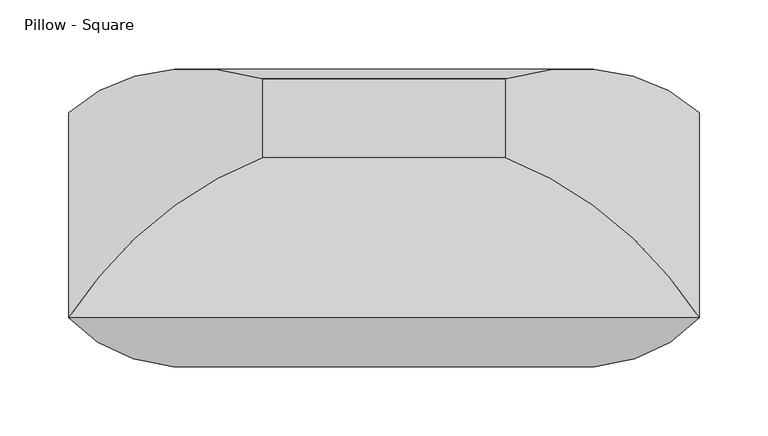
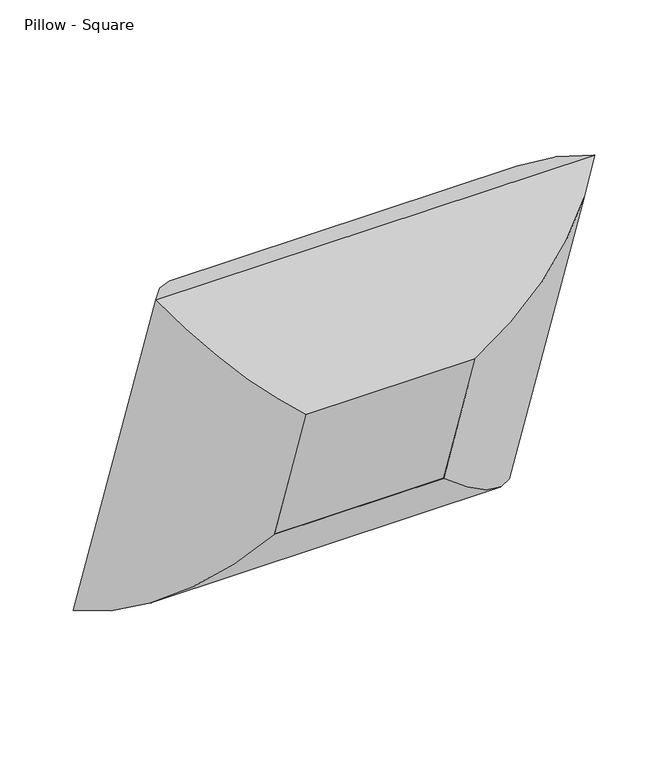
"""IFC4 building model written with IfcOpenShell, lengths in millimetres: furniture geometry, Pillow - Square."""

from ifc_helpers import new_model, si_unit, frame, origin, place, context, project, spatial, polyline, ellipse_curve, outline, extrude, source, transform, mapped, element, save
from ifc_brep_helpers import plane_surface, cylinder_surface, advanced_brep


def pillow_square_843fe264(model_context):
    return source(origin(), model_context, "Body", "SolidModel", [
        advanced_brep(
        [(-88.10625, -176.632238, 273.7911293), (-228.2741804, -148.6376072, 431.6749557), (-228.2741804, 0.0, 0.0), (-88.10625, -119.2630596, 107.1789373), (-88.10625, -32.5352071, 323.4077161), (-88.10625, 24.8339713, 156.7955241), (228.2741804, 0.0, 0.0), (88.10625, -119.2630596, 107.1789373), (88.10625, 24.8339713, 156.7955241), (228.2741804, -148.6376072, 431.6749557), (88.10625, -176.632238, 273.7911293), (88.10625, -32.5352071, 323.4077161)],
        [
            (0, 1, ellipse_curve(frame((-83.326504, -10.8491478, 325.8196669), z_axis=(-0.7071067811865477, 0.23021144975504015, -0.6685825965441236), x_axis=(-0.7071067811865472, -0.23021144975504043, 0.668582596544124)), 245.7274984, 173.7555804)),
            (1, 2),
            (2, 3, ellipse_curve(frame((-83.326504, 43.4077645, 168.2461521), z_axis=(-0.7071067811865471, -0.2302114497550404, 0.6685825965441241), x_axis=(0.7071067811865478, -0.2302114497550402, 0.6685825965441234)), 245.7274984, 173.7555804)),
            (3, 0),
            (4, 0),
            (3, 5),
            (5, 4),
            (1, 4, ellipse_curve(frame((-78.9179464, -205.7447289, 254.0491549), z_axis=(-0.7071067811865477, 0.23021144975504015, -0.6685825965441236), x_axis=(-0.7071067811865472, -0.23021144975504043, 0.668582596544124)), 263.8641638, 186.5801395)),
            (5, 2, ellipse_curve(frame((-78.9179464, -154.3583886, 104.8123863), z_axis=(-0.7071067811865471, -0.2302114497550404, 0.6685825965441241), x_axis=(0.7071067811865478, -0.2302114497550402, 0.6685825965441234)), 263.8641638, 186.5801395)),
            (2, 6),
            (6, 7, ellipse_curve(frame((83.326504, 43.4077645, 168.2461521), z_axis=(-0.7071067811865477, 0.23021144975504026, -0.6685825965441234), x_axis=(-0.7071067811865474, -0.23021144975504035, 0.6685825965441239)), 245.7274984, 173.7555804)),
            (7, 3),
            (7, 8),
            (8, 5),
            (8, 6, ellipse_curve(frame((78.9179464, -154.3583886, 104.8123863), z_axis=(-0.7071067811865477, 0.23021144975504026, -0.6685825965441234), x_axis=(-0.7071067811865474, -0.23021144975504035, 0.6685825965441239)), 263.8641638, 186.5801395)),
            (6, 9),
            (9, 10, ellipse_curve(frame((83.326504, -10.8491478, 325.8196669), z_axis=(0.7071067811865474, 0.23021144975504046, -0.6685825965441239), x_axis=(-0.7071067811865476, 0.23021144975504024, -0.6685825965441236)), 245.7274984, 173.7555804)),
            (10, 7),
            (10, 11),
            (11, 8),
            (11, 9, ellipse_curve(frame((78.9179464, -205.7447289, 254.0491549), z_axis=(0.7071067811865474, 0.23021144975504046, -0.6685825965441239), x_axis=(-0.7071067811865476, 0.23021144975504024, -0.6685825965441236)), 263.8641638, 186.5801395)),
            (9, 1),
            (0, 10),
            (4, 11),
        ],
        [
            cylinder_surface(frame((-83.326504, -12.4052809, 330.3390055), z_axis=(0.0, -0.3255681544571503, 0.945518575599319), x_axis=(0.0, -0.945518575599319, -0.3255681544571503)), 173.7555804),
            plane_surface(frame((-88.10625, -176.632238, 273.7911293), z_axis=(1.0000000000000002, 0.0, 0.0), x_axis=(0.0, 0.3255681544571504, -0.9455185755993191))),
            cylinder_surface(frame((-78.9179464, -208.736148, 262.7368666), z_axis=(0.0, -0.3255681544571503, 0.945518575599319), x_axis=(0.0, -0.945518575599319, -0.3255681544571503)), 186.5801395),
            cylinder_surface(frame((-88.10625, 43.4077645, 168.2461521), z_axis=(-1.0, 0.0, 0.0), x_axis=(0.0, -0.945518575599319, -0.3255681544571504)), 173.7555804),
            plane_surface(frame((-88.10625, -119.2630596, 107.1789373), z_axis=(0.0, -0.32556815445715026, 0.9455185755993192), x_axis=(1.0, 0.0, 0.0))),
            cylinder_surface(frame((-88.10625, -154.3583886, 104.8123863), z_axis=(-1.0, 0.0, 0.0), x_axis=(0.0, -0.945518575599319, -0.3255681544571504)), 186.5801395),
            cylinder_surface(frame((83.326504, 44.9638976, 163.7268135), z_axis=(0.0, 0.3255681544571504, -0.9455185755993191), x_axis=(0.0, -0.9455185755993191, -0.3255681544571504)), 173.7555804),
            plane_surface(frame((88.10625, -119.2630596, 107.1789373), z_axis=(-1.0000000000000002, 0.0, 0.0), x_axis=(0.0, -0.32556815445715026, 0.9455185755993192))),
            cylinder_surface(frame((78.9179464, -151.3669696, 96.1246746), z_axis=(0.0, 0.3255681544571504, -0.9455185755993191), x_axis=(0.0, -0.9455185755993191, -0.3255681544571504)), 186.5801395),
            cylinder_surface(frame((88.10625, -10.8491478, 325.8196669), z_axis=(1.0, 0.0, 0.0), x_axis=(0.0, -0.945518575599319, -0.3255681544571502)), 173.7555804),
            plane_surface(frame((88.10625, -176.632238, 273.7911293), z_axis=(0.0, 0.32556815445715054, -0.9455185755993191), x_axis=(-1.0, 0.0, 0.0))),
            cylinder_surface(frame((88.10625, -205.7447289, 254.0491549), z_axis=(1.0, 0.0, 0.0), x_axis=(0.0, -0.945518575599319, -0.3255681544571502)), 186.5801395),
        ],
        [
            (0, [[1, 2, 3, 4]]),
            (1, [[5, -4, 6, 7]]),
            (2, [[8, -7, 9, -2]]),
            (3, [[-3, 10, 11, 12]]),
            (4, [[-6, -12, 13, 14]]),
            (5, [[-9, -14, 15, -10]]),
            (6, [[-11, 16, 17, 18]]),
            (7, [[-13, -18, 19, 20]]),
            (8, [[-15, -20, 21, -16]]),
            (9, [[-17, 22, -1, 23]]),
            (10, [[-19, -23, -5, 24]]),
            (11, [[-21, -24, -8, -22]]),
        ],
    ),
        extrude(outline(polyline([(0.0, -176.2125), (0.0, 0.0), (152.4, 0.0), (152.4, -176.2125), (0.0, -176.2125)])), frame((-88.10625, -119.2630596, 107.1789373), z_axis=(0.0, -0.3255681544571503, 0.9455185755993191), x_axis=(0.0, 0.9455185755993191, 0.3255681544571503)), (0.0, 0.0, 1.0), 176.2125),
    ])


if __name__ == "__main__":
    model = new_model("IFC4")
    model_context = context("Model", 3, world=origin())
    ifc_project = project(units=[si_unit("LENGTHUNIT", "METRE", prefix="MILLI")], contexts=[model_context])
    site = spatial("IfcSite", under=ifc_project)
    building = spatial("IfcBuilding", under=site)
    placement = place(None, origin())
    pillow_square_shape = pillow_square_843fe264(model_context)
    element("IfcFurniture", 1, ObjectType="Pillow - Square", at=placement, inside=building, context=model_context, shape_type="MappedRepresentation", body=[
        mapped(pillow_square_shape, transform((0.0, 0.0, 0.0), x_axis=(1.0, 0.0, 0.0), y_axis=(0.0, 1.0, 0.0), z_axis=(0.0, 0.0, 1.0))),
    ])
    save(model, "model.ifc")
